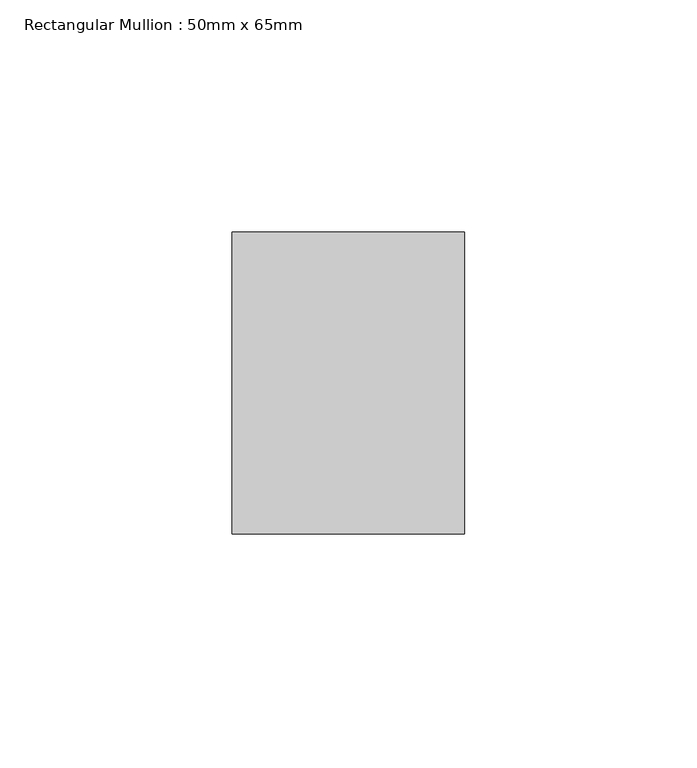
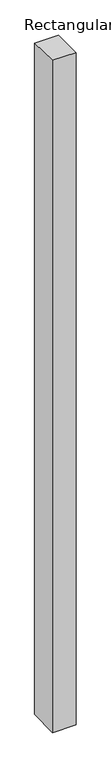
"""IFC4 building model written with IfcOpenShell, lengths in millimetres: member geometry, Rectangular Mullion : 50mm x 65mm."""

from ifc_helpers import new_model, si_unit, origin, place, context, project, spatial, faceted_brep, source, transform, mapped, element, save


def rectangular_mullion_50mm_x_65mm_94cd9290(model_context):
    return source(origin(), model_context, "Body", "Brep", [
        faceted_brep([(-25.0, 32.5, -0.568319), (25.0, 32.5, -0.5683198), (25.0, 32.5, -1499.2874734), (-25.0, 32.5, -1499.2874744), (-25.0, -32.5, 0.5683198), (-25.0, -32.5, -1500.7128896), (25.0, -32.5, 0.568319), (25.0, -32.5, -1500.7128887)], [[[0, 1, 2, 3]], [[4, 0, 3, 5]], [[6, 4, 5, 7]], [[1, 6, 7, 2]], [[1, 0, 4, 6]], [[2, 7, 5, 3]]]),
    ])


if __name__ == "__main__":
    model = new_model("IFC4")
    model_context = context("Model", 3, world=origin())
    ifc_project = project(units=[si_unit("LENGTHUNIT", "METRE", prefix="MILLI")], contexts=[model_context])
    site = spatial("IfcSite", under=ifc_project)
    building = spatial("IfcBuilding", under=site)
    placement = place(None, origin())
    rectangular_mullion_50mm_x_65mm_shape = rectangular_mullion_50mm_x_65mm_94cd9290(model_context)
    element("IfcMember", 1, ObjectType="Rectangular Mullion : 50mm x 65mm", at=placement, inside=building, context=model_context, shape_type="MappedRepresentation", body=[
        mapped(rectangular_mullion_50mm_x_65mm_shape, transform((0.0, 0.0, 0.0), x_axis=(1.0, 0.0, 0.0), y_axis=(0.0, 1.0, 0.0), z_axis=(0.0, 0.0, 1.0))),
    ])
    save(model, "model.ifc")
